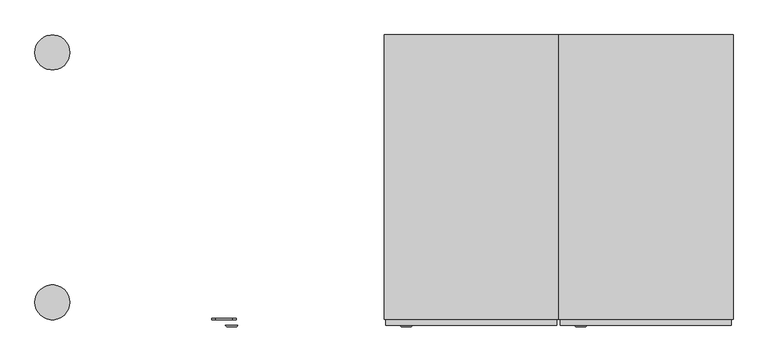
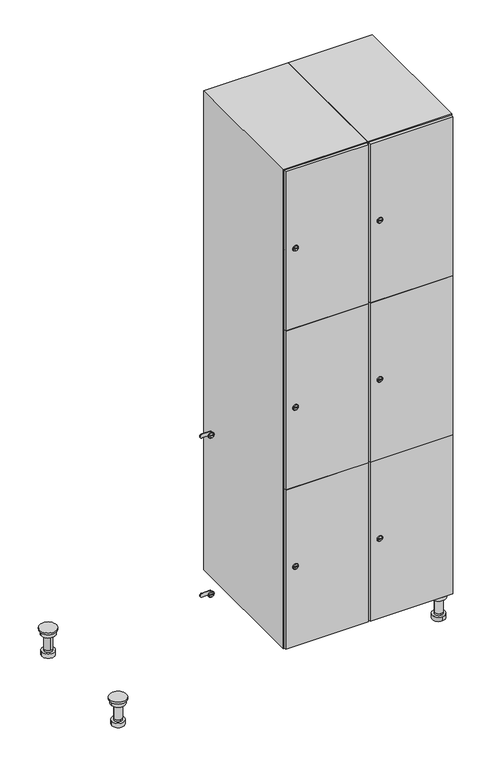
"""IFC4 building model written with IfcOpenShell, lengths in millimetres: furniture geometry."""

from ifc_helpers import new_model, si_unit, point, frame, frame_2d, origin, place, context, project, spatial, polyline, circle_curve, trimmed, segment, composite_curve, outline, extrude, faceted_brep, source, transform, mapped, element, save
from ifc_brep_helpers import plane_surface, cylinder_surface, revolved_surface, advanced_brep


def furniture_6c098cf2(model_context):
    return source(origin(), model_context, "Body", "SolidModel", [
        advanced_brep(
        [(970.0, -201.0, 22.0), (970.0, -201.5, 16.0), (970.0, -228.5, 16.0), (970.0, -229.0, 22.0), (956.0, -215.0, 22.0), (984.0, -215.0, 22.0), (970.0, -192.5, 16.0), (970.0, -237.5, 16.0), (970.0, -192.5, 0.0), (970.0, -237.5, 0.0), (984.0, -215.0, 78.0), (956.0, -215.0, 78.0), (995.0, -215.0, 78.0), (945.0, -215.0, 78.0), (1000.0, -215.0, 94.0), (940.0, -215.0, 94.0), (945.0, -215.0, 94.0), (995.0, -215.0, 94.0), (1000.0, -215.0, 100.0), (940.0, -215.0, 100.0)],
        [
            (0, 1),
            (1, 2, circle_curve(frame((970.0, -215.0, 16.0), z_axis=(0.0, 0.0, 1.0), x_axis=(0.0, -1.0, 0.0)), 13.5)),
            (2, 3),
            (3, 4, circle_curve(frame((970.0, -215.0, 22.0), z_axis=(0.0, 0.0, -1.0), x_axis=(0.0, -1.0, 0.0)), 14.0)),
            (4, 0, circle_curve(frame((970.0, -215.0, 22.0), z_axis=(0.0, 0.0, -1.0), x_axis=(0.0, -1.0, 0.0)), 14.0)),
            (0, 5, circle_curve(frame((970.0, -215.0, 22.0), z_axis=(0.0, 0.0, -1.0), x_axis=(0.0, 1.0, 0.0)), 14.0)),
            (5, 3, circle_curve(frame((970.0, -215.0, 22.0), z_axis=(0.0, 0.0, -1.0), x_axis=(0.0, 1.0, 0.0)), 14.0)),
            (2, 1, circle_curve(frame((970.0, -215.0, 16.0), z_axis=(0.0, 0.0, 1.0), x_axis=(0.0, 1.0, 0.0)), 13.5)),
            (6, 7, circle_curve(frame((970.0, -215.0, 16.0), z_axis=(0.0, 0.0, 1.0), x_axis=(0.0, -1.0, 0.0)), 22.5)),
            (7, 6, circle_curve(frame((970.0, -215.0, 16.0), z_axis=(0.0, 0.0, 1.0), x_axis=(0.0, -1.0, 0.0)), 22.5)),
            (8, 9, circle_curve(frame((970.0, -215.0, 0.0), z_axis=(0.0, 0.0, -1.0), x_axis=(0.0, -1.0, 0.0)), 22.5)),
            (9, 8, circle_curve(frame((970.0, -215.0, 0.0), z_axis=(0.0, 0.0, -1.0), x_axis=(0.0, -1.0, 0.0)), 22.5)),
            (6, 8),
            (9, 7),
            (5, 10),
            (10, 11, circle_curve(frame((970.0, -215.0, 78.0), z_axis=(0.0, 0.0, -1.0), x_axis=(-1.0, 0.0, 0.0)), 14.0)),
            (11, 4),
            (11, 10, circle_curve(frame((970.0, -215.0, 78.0), z_axis=(0.0, 0.0, -1.0), x_axis=(-1.0, 0.0, 0.0)), 14.0)),
            (12, 13, circle_curve(frame((970.0, -215.0, 78.0), z_axis=(0.0, 0.0, -1.0), x_axis=(-1.0, 0.0, 0.0)), 25.0)),
            (13, 12, circle_curve(frame((970.0, -215.0, 78.0), z_axis=(0.0, 0.0, -1.0), x_axis=(-1.0, 0.0, 0.0)), 25.0)),
            (14, 15, circle_curve(frame((970.0, -215.0, 94.0), z_axis=(0.0, 0.0, -1.0), x_axis=(-1.0, 0.0, 0.0)), 30.0)),
            (15, 14, circle_curve(frame((970.0, -215.0, 94.0), z_axis=(0.0, 0.0, -1.0), x_axis=(-1.0, 0.0, 0.0)), 30.0)),
            (16, 17, circle_curve(frame((970.0, -215.0, 94.0), z_axis=(0.0, 0.0, 1.0), x_axis=(-1.0, 0.0, 0.0)), 25.0)),
            (17, 16, circle_curve(frame((970.0, -215.0, 94.0), z_axis=(0.0, 0.0, 1.0), x_axis=(-1.0, 0.0, 0.0)), 25.0)),
            (18, 19, circle_curve(frame((970.0, -215.0, 100.0), z_axis=(0.0, 0.0, 1.0), x_axis=(-1.0, 0.0, 0.0)), 30.0)),
            (19, 18, circle_curve(frame((970.0, -215.0, 100.0), z_axis=(0.0, 0.0, 1.0), x_axis=(-1.0, 0.0, 0.0)), 30.0)),
            (14, 18),
            (19, 15),
            (12, 17),
            (16, 13),
        ],
        [
            revolved_surface(polyline([(970.0, -201.5, 16.0), (970.0, -201.0, 22.0)]), (970.0, -215.0, -146.0), (0.0, 0.0, 1.0)),
            plane_surface(frame((970.0, 0.0, 16.0), z_axis=(0.0, 0.0, 1.0), x_axis=(0.0, -1.0, 0.0))),
            plane_surface(frame((970.0, 0.0, 0.0), z_axis=(0.0, 0.0, -1.0), x_axis=(0.0, -1.0, 0.0))),
            cylinder_surface(frame((970.0, -215.0, 16.0), z_axis=(0.0, 0.0, 1.0), x_axis=(0.0, -1.0, 0.0)), 22.5),
            cylinder_surface(frame((970.0, -215.0, 22.0), z_axis=(0.0, 0.0, -1.0), x_axis=(-1.0, 0.0, 0.0)), 14.0),
            plane_surface(frame((970.0, 0.0, 78.0), z_axis=(0.0, 0.0, -1.0), x_axis=(0.0, -1.0, 0.0))),
            plane_surface(frame((970.0, 0.0, 94.0), z_axis=(0.0, 0.0, -1.0), x_axis=(0.0, -1.0, 0.0))),
            plane_surface(frame((970.0, 0.0, 100.0), z_axis=(0.0, 0.0, 1.0), x_axis=(0.0, -1.0, 0.0))),
            cylinder_surface(frame((970.0, -215.0, 94.0), z_axis=(0.0, 0.0, -1.0), x_axis=(-1.0, 0.0, 0.0)), 30.0),
            cylinder_surface(frame((970.0, -215.0, 78.0), z_axis=(0.0, 0.0, -1.0), x_axis=(-1.0, 0.0, 0.0)), 25.0),
        ],
        [
            (0, [[1, 2, 3, 4, 5]]),
            (0, [[-1, 6, 7, -3, 8]]),
            (1, [[9, 10], [-2, -8]]),
            (2, [[11, 12]]),
            (3, [[-9, 13, -12, 14]]),
            (3, [[-10, -14, -11, -13]]),
            (4, [[15, 16, 17, -4, -7]]),
            (4, [[-15, -6, -5, -17, 18]]),
            (5, [[19, 20], [-16, -18]]),
            (6, [[21, 22], [23, 24]]),
            (7, [[25, 26]]),
            (8, [[-21, 27, -26, 28]]),
            (8, [[-22, -28, -25, -27]]),
            (9, [[-19, 29, -23, 30]]),
            (9, [[-20, -30, -24, -29]]),
        ],
    ),
        advanced_brep(
        [(-170.0, -201.0, 22.0), (-170.0, -201.5, 16.0), (-170.0, -228.5, 16.0), (-170.0, -229.0, 22.0), (-184.0, -215.0, 22.0), (-156.0, -215.0, 22.0), (-147.5, -215.0, 0.0), (-192.5, -215.0, 0.0), (-147.5, -215.0, 16.0), (-192.5, -215.0, 16.0), (-156.0, -215.0, 78.0), (-184.0, -215.0, 78.0), (-145.0, -215.0, 78.0), (-195.0, -215.0, 78.0), (-140.0, -215.0, 94.0), (-200.0, -215.0, 94.0), (-195.0, -215.0, 94.0), (-145.0, -215.0, 94.0), (-140.0, -215.0, 100.0), (-200.0, -215.0, 100.0)],
        [
            (0, 1),
            (1, 2, circle_curve(frame((-170.0, -215.0, 16.0), z_axis=(0.0, 0.0, 1.0), x_axis=(0.0, -1.0, 0.0)), 13.5)),
            (2, 3),
            (3, 4, circle_curve(frame((-170.0, -215.0, 22.0), z_axis=(0.0, 0.0, -1.0), x_axis=(0.0, -1.0, 0.0)), 14.0)),
            (4, 0, circle_curve(frame((-170.0, -215.0, 22.0), z_axis=(0.0, 0.0, -1.0), x_axis=(0.0, -1.0, 0.0)), 14.0)),
            (0, 5, circle_curve(frame((-170.0, -215.0, 22.0), z_axis=(0.0, 0.0, -1.0), x_axis=(0.0, 1.0, 0.0)), 14.0)),
            (5, 3, circle_curve(frame((-170.0, -215.0, 22.0), z_axis=(0.0, 0.0, -1.0), x_axis=(0.0, 1.0, 0.0)), 14.0)),
            (2, 1, circle_curve(frame((-170.0, -215.0, 16.0), z_axis=(0.0, 0.0, 1.0), x_axis=(0.0, 1.0, 0.0)), 13.5)),
            (6, 7, circle_curve(frame((-170.0, -215.0, 0.0), z_axis=(0.0, 0.0, -1.0), x_axis=(-1.0, 0.0, 0.0)), 22.5)),
            (7, 6, circle_curve(frame((-170.0, -215.0, 0.0), z_axis=(0.0, 0.0, -1.0), x_axis=(-1.0, 0.0, 0.0)), 22.5)),
            (8, 9, circle_curve(frame((-170.0, -215.0, 16.0), z_axis=(0.0, 0.0, 1.0), x_axis=(-1.0, 0.0, 0.0)), 22.5)),
            (9, 8, circle_curve(frame((-170.0, -215.0, 16.0), z_axis=(0.0, 0.0, 1.0), x_axis=(-1.0, 0.0, 0.0)), 22.5)),
            (6, 8),
            (9, 7),
            (5, 10),
            (10, 11, circle_curve(frame((-170.0, -215.0, 78.0), z_axis=(0.0, 0.0, -1.0), x_axis=(-1.0, 0.0, 0.0)), 14.0)),
            (11, 4),
            (11, 10, circle_curve(frame((-170.0, -215.0, 78.0), z_axis=(0.0, 0.0, -1.0), x_axis=(-1.0, 0.0, 0.0)), 14.0)),
            (12, 13, circle_curve(frame((-170.0, -215.0, 78.0), z_axis=(0.0, 0.0, -1.0), x_axis=(-1.0, 0.0, 0.0)), 25.0)),
            (13, 12, circle_curve(frame((-170.0, -215.0, 78.0), z_axis=(0.0, 0.0, -1.0), x_axis=(-1.0, 0.0, 0.0)), 25.0)),
            (14, 15, circle_curve(frame((-170.0, -215.0, 94.0), z_axis=(0.0, 0.0, -1.0), x_axis=(-1.0, 0.0, 0.0)), 30.0)),
            (15, 14, circle_curve(frame((-170.0, -215.0, 94.0), z_axis=(0.0, 0.0, -1.0), x_axis=(-1.0, 0.0, 0.0)), 30.0)),
            (16, 17, circle_curve(frame((-170.0, -215.0, 94.0), z_axis=(0.0, 0.0, 1.0), x_axis=(-1.0, 0.0, 0.0)), 25.0)),
            (17, 16, circle_curve(frame((-170.0, -215.0, 94.0), z_axis=(0.0, 0.0, 1.0), x_axis=(-1.0, 0.0, 0.0)), 25.0)),
            (18, 19, circle_curve(frame((-170.0, -215.0, 100.0), z_axis=(0.0, 0.0, 1.0), x_axis=(-1.0, 0.0, 0.0)), 30.0)),
            (19, 18, circle_curve(frame((-170.0, -215.0, 100.0), z_axis=(0.0, 0.0, 1.0), x_axis=(-1.0, 0.0, 0.0)), 30.0)),
            (14, 18),
            (19, 15),
            (12, 17),
            (16, 13),
        ],
        [
            revolved_surface(polyline([(-170.0, -201.5, 16.0), (-170.0, -201.0, 22.0)]), (-170.0, -215.0, -146.0), (0.0, 0.0, 1.0)),
            plane_surface(frame((-170.0, 0.0, 0.0), z_axis=(0.0, 0.0, -1.0), x_axis=(0.0, -1.0, 0.0))),
            plane_surface(frame((-170.0, 0.0, 16.0), z_axis=(0.0, 0.0, 1.0), x_axis=(0.0, -1.0, 0.0))),
            cylinder_surface(frame((-170.0, -215.0, 0.0), z_axis=(0.0, 0.0, -1.0), x_axis=(-1.0, 0.0, 0.0)), 22.5),
            cylinder_surface(frame((-170.0, -215.0, 22.0), z_axis=(0.0, 0.0, -1.0), x_axis=(-1.0, 0.0, 0.0)), 14.0),
            plane_surface(frame((-170.0, 0.0, 78.0), z_axis=(0.0, 0.0, -1.0), x_axis=(0.0, -1.0, 0.0))),
            plane_surface(frame((-170.0, 0.0, 94.0), z_axis=(0.0, 0.0, -1.0), x_axis=(0.0, -1.0, 0.0))),
            plane_surface(frame((-170.0, 0.0, 100.0), z_axis=(0.0, 0.0, 1.0), x_axis=(0.0, -1.0, 0.0))),
            cylinder_surface(frame((-170.0, -215.0, 94.0), z_axis=(0.0, 0.0, -1.0), x_axis=(-1.0, 0.0, 0.0)), 30.0),
            cylinder_surface(frame((-170.0, -215.0, 78.0), z_axis=(0.0, 0.0, -1.0), x_axis=(-1.0, 0.0, 0.0)), 25.0),
        ],
        [
            (0, [[1, 2, 3, 4, 5]]),
            (0, [[-1, 6, 7, -3, 8]]),
            (1, [[9, 10]]),
            (2, [[11, 12], [-2, -8]]),
            (3, [[-9, 13, -12, 14]]),
            (3, [[-10, -14, -11, -13]]),
            (4, [[15, 16, 17, -4, -7]]),
            (4, [[-15, -6, -5, -17, 18]]),
            (5, [[19, 20], [-16, -18]]),
            (6, [[21, 22], [23, 24]]),
            (7, [[25, 26]]),
            (8, [[-21, 27, -26, 28]]),
            (8, [[-22, -28, -25, -27]]),
            (9, [[-19, 29, -23, 30]]),
            (9, [[-20, -30, -24, -29]]),
        ],
    ),
        advanced_brep(
        [(983.5, 215.0, 16.0), (984.0, 215.0, 22.0), (956.0, 215.0, 22.0), (956.5, 215.0, 16.0), (992.5, 215.0, 0.0), (947.5, 215.0, 0.0), (992.5, 215.0, 16.0), (947.5, 215.0, 16.0), (984.0, 215.0, 78.0), (956.0, 215.0, 78.0), (995.0, 215.0, 78.0), (945.0, 215.0, 78.0), (1000.0, 215.0, 94.0), (940.0, 215.0, 94.0), (945.0, 215.0, 94.0), (995.0, 215.0, 94.0), (1000.0, 215.0, 100.0), (940.0, 215.0, 100.0)],
        [
            (0, 1),
            (1, 2, circle_curve(frame((970.0, 215.0, 22.0), z_axis=(0.0, 0.0, -1.0), x_axis=(-1.0, 0.0, 0.0)), 14.0)),
            (2, 3),
            (3, 0, circle_curve(frame((970.0, 215.0, 16.0), z_axis=(0.0, 0.0, 1.0), x_axis=(-1.0, 0.0, 0.0)), 13.5)),
            (0, 3, circle_curve(frame((970.0, 215.0, 16.0), z_axis=(0.0, 0.0, 1.0), x_axis=(1.0, 0.0, 0.0)), 13.5)),
            (2, 1, circle_curve(frame((970.0, 215.0, 22.0), z_axis=(0.0, 0.0, -1.0), x_axis=(1.0, 0.0, 0.0)), 14.0)),
            (4, 5, circle_curve(frame((970.0, 215.0, 0.0), z_axis=(0.0, 0.0, -1.0), x_axis=(-1.0, 0.0, 0.0)), 22.5)),
            (5, 4, circle_curve(frame((970.0, 215.0, 0.0), z_axis=(0.0, 0.0, -1.0), x_axis=(-1.0, 0.0, 0.0)), 22.5)),
            (6, 7, circle_curve(frame((970.0, 215.0, 16.0), z_axis=(0.0, 0.0, 1.0), x_axis=(-1.0, 0.0, 0.0)), 22.5)),
            (7, 6, circle_curve(frame((970.0, 215.0, 16.0), z_axis=(0.0, 0.0, 1.0), x_axis=(-1.0, 0.0, 0.0)), 22.5)),
            (4, 6),
            (7, 5),
            (1, 8),
            (8, 9, circle_curve(frame((970.0, 215.0, 78.0), z_axis=(0.0, 0.0, -1.0), x_axis=(-1.0, 0.0, 0.0)), 14.0)),
            (9, 2),
            (9, 8, circle_curve(frame((970.0, 215.0, 78.0), z_axis=(0.0, 0.0, -1.0), x_axis=(-1.0, 0.0, 0.0)), 14.0)),
            (10, 11, circle_curve(frame((970.0, 215.0, 78.0), z_axis=(0.0, 0.0, -1.0), x_axis=(-1.0, 0.0, 0.0)), 25.0)),
            (11, 10, circle_curve(frame((970.0, 215.0, 78.0), z_axis=(0.0, 0.0, -1.0), x_axis=(-1.0, 0.0, 0.0)), 25.0)),
            (12, 13, circle_curve(frame((970.0, 215.0, 94.0), z_axis=(0.0, 0.0, -1.0), x_axis=(-1.0, 0.0, 0.0)), 30.0)),
            (13, 12, circle_curve(frame((970.0, 215.0, 94.0), z_axis=(0.0, 0.0, -1.0), x_axis=(-1.0, 0.0, 0.0)), 30.0)),
            (14, 15, circle_curve(frame((970.0, 215.0, 94.0), z_axis=(0.0, 0.0, 1.0), x_axis=(-1.0, 0.0, 0.0)), 25.0)),
            (15, 14, circle_curve(frame((970.0, 215.0, 94.0), z_axis=(0.0, 0.0, 1.0), x_axis=(-1.0, 0.0, 0.0)), 25.0)),
            (16, 17, circle_curve(frame((970.0, 215.0, 100.0), z_axis=(0.0, 0.0, 1.0), x_axis=(-1.0, 0.0, 0.0)), 30.0)),
            (17, 16, circle_curve(frame((970.0, 215.0, 100.0), z_axis=(0.0, 0.0, 1.0), x_axis=(-1.0, 0.0, 0.0)), 30.0)),
            (12, 16),
            (17, 13),
            (10, 15),
            (14, 11),
        ],
        [
            revolved_surface(polyline([(983.5, 215.0, 16.0), (984.0, 215.0, 22.0)]), (970.0, 215.0, -146.0), (0.0, 0.0, 1.0)),
            plane_surface(frame((970.0, 0.0, 0.0), z_axis=(0.0, 0.0, -1.0), x_axis=(0.0, -1.0, 0.0))),
            plane_surface(frame((970.0, 0.0, 16.0), z_axis=(0.0, 0.0, 1.0), x_axis=(0.0, -1.0, 0.0))),
            cylinder_surface(frame((970.0, 215.0, 0.0), z_axis=(0.0, 0.0, -1.0), x_axis=(-1.0, 0.0, 0.0)), 22.5),
            cylinder_surface(frame((970.0, 215.0, 22.0), z_axis=(0.0, 0.0, -1.0), x_axis=(-1.0, 0.0, 0.0)), 14.0),
            plane_surface(frame((970.0, 0.0, 78.0), z_axis=(0.0, 0.0, -1.0), x_axis=(0.0, -1.0, 0.0))),
            plane_surface(frame((970.0, 0.0, 94.0), z_axis=(0.0, 0.0, -1.0), x_axis=(0.0, -1.0, 0.0))),
            plane_surface(frame((970.0, 0.0, 100.0), z_axis=(0.0, 0.0, 1.0), x_axis=(0.0, -1.0, 0.0))),
            cylinder_surface(frame((970.0, 215.0, 94.0), z_axis=(0.0, 0.0, -1.0), x_axis=(-1.0, 0.0, 0.0)), 30.0),
            cylinder_surface(frame((970.0, 215.0, 78.0), z_axis=(0.0, 0.0, -1.0), x_axis=(-1.0, 0.0, 0.0)), 25.0),
        ],
        [
            (0, [[1, 2, 3, 4]]),
            (0, [[-1, 5, -3, 6]]),
            (1, [[7, 8]]),
            (2, [[9, 10], [-4, -5]]),
            (3, [[-7, 11, -10, 12]]),
            (3, [[-8, -12, -9, -11]]),
            (4, [[13, 14, 15, -2]]),
            (4, [[-13, -6, -15, 16]]),
            (5, [[17, 18], [-14, -16]]),
            (6, [[19, 20], [21, 22]]),
            (7, [[23, 24]]),
            (8, [[-19, 25, -24, 26]]),
            (8, [[-20, -26, -23, -25]]),
            (9, [[-17, 27, -21, 28]]),
            (9, [[-18, -28, -22, -27]]),
        ],
    ),
        advanced_brep(
        [(-156.5, 215.0, 16.0), (-156.0, 215.0, 22.0), (-170.0, 201.0, 22.0), (-184.0, 215.0, 22.0), (-183.5, 215.0, 16.0), (-170.0, 229.0, 22.0), (-147.5, 215.0, 0.0), (-192.5, 215.0, 0.0), (-147.5, 215.0, 16.0), (-192.5, 215.0, 16.0), (-170.0, 229.0, 78.0), (-170.0, 201.0, 78.0), (-145.0, 215.0, 78.0), (-195.0, 215.0, 78.0), (-140.0, 215.0, 94.0), (-200.0, 215.0, 94.0), (-195.0, 215.0, 94.0), (-145.0, 215.0, 94.0), (-140.0, 215.0, 100.0), (-200.0, 215.0, 100.0)],
        [
            (0, 1),
            (1, 2, circle_curve(frame((-170.0, 215.0, 22.0), z_axis=(0.0, 0.0, -1.0), x_axis=(-1.0, 0.0, 0.0)), 14.0)),
            (2, 3, circle_curve(frame((-170.0, 215.0, 22.0), z_axis=(0.0, 0.0, -1.0), x_axis=(-1.0, 0.0, 0.0)), 14.0)),
            (3, 4),
            (4, 0, circle_curve(frame((-170.0, 215.0, 16.0), z_axis=(0.0, 0.0, 1.0), x_axis=(-1.0, 0.0, 0.0)), 13.5)),
            (0, 4, circle_curve(frame((-170.0, 215.0, 16.0), z_axis=(0.0, 0.0, 1.0), x_axis=(1.0, 0.0, 0.0)), 13.5)),
            (3, 5, circle_curve(frame((-170.0, 215.0, 22.0), z_axis=(0.0, 0.0, -1.0), x_axis=(1.0, 0.0, 0.0)), 14.0)),
            (5, 1, circle_curve(frame((-170.0, 215.0, 22.0), z_axis=(0.0, 0.0, -1.0), x_axis=(1.0, 0.0, 0.0)), 14.0)),
            (6, 7, circle_curve(frame((-170.0, 215.0, 0.0), z_axis=(0.0, 0.0, -1.0), x_axis=(-1.0, 0.0, 0.0)), 22.5)),
            (7, 6, circle_curve(frame((-170.0, 215.0, 0.0), z_axis=(0.0, 0.0, -1.0), x_axis=(-1.0, 0.0, 0.0)), 22.5)),
            (8, 9, circle_curve(frame((-170.0, 215.0, 16.0), z_axis=(0.0, 0.0, 1.0), x_axis=(-1.0, 0.0, 0.0)), 22.5)),
            (9, 8, circle_curve(frame((-170.0, 215.0, 16.0), z_axis=(0.0, 0.0, 1.0), x_axis=(-1.0, 0.0, 0.0)), 22.5)),
            (6, 8),
            (9, 7),
            (10, 5),
            (2, 11),
            (11, 10, circle_curve(frame((-170.0, 215.0, 78.0), z_axis=(0.0, 0.0, -1.0), x_axis=(0.0, -1.0, 0.0)), 14.0)),
            (10, 11, circle_curve(frame((-170.0, 215.0, 78.0), z_axis=(0.0, 0.0, -1.0), x_axis=(0.0, -1.0, 0.0)), 14.0)),
            (12, 13, circle_curve(frame((-170.0, 215.0, 78.0), z_axis=(0.0, 0.0, -1.0), x_axis=(-1.0, 0.0, 0.0)), 25.0)),
            (13, 12, circle_curve(frame((-170.0, 215.0, 78.0), z_axis=(0.0, 0.0, -1.0), x_axis=(-1.0, 0.0, 0.0)), 25.0)),
            (14, 15, circle_curve(frame((-170.0, 215.0, 94.0), z_axis=(0.0, 0.0, -1.0), x_axis=(-1.0, 0.0, 0.0)), 30.0)),
            (15, 14, circle_curve(frame((-170.0, 215.0, 94.0), z_axis=(0.0, 0.0, -1.0), x_axis=(-1.0, 0.0, 0.0)), 30.0)),
            (16, 17, circle_curve(frame((-170.0, 215.0, 94.0), z_axis=(0.0, 0.0, 1.0), x_axis=(-1.0, 0.0, 0.0)), 25.0)),
            (17, 16, circle_curve(frame((-170.0, 215.0, 94.0), z_axis=(0.0, 0.0, 1.0), x_axis=(-1.0, 0.0, 0.0)), 25.0)),
            (18, 19, circle_curve(frame((-170.0, 215.0, 100.0), z_axis=(0.0, 0.0, 1.0), x_axis=(-1.0, 0.0, 0.0)), 30.0)),
            (19, 18, circle_curve(frame((-170.0, 215.0, 100.0), z_axis=(0.0, 0.0, 1.0), x_axis=(-1.0, 0.0, 0.0)), 30.0)),
            (14, 18),
            (19, 15),
            (12, 17),
            (16, 13),
        ],
        [
            revolved_surface(polyline([(-156.5, 215.0, 16.0), (-156.0, 215.0, 22.0)]), (-170.0, 215.0, -146.0), (0.0, 0.0, 1.0)),
            plane_surface(frame((-170.0, 0.0, 0.0), z_axis=(0.0, 0.0, -1.0), x_axis=(0.0, -1.0, 0.0))),
            plane_surface(frame((-170.0, 0.0, 16.0), z_axis=(0.0, 0.0, 1.0), x_axis=(0.0, -1.0, 0.0))),
            cylinder_surface(frame((-170.0, 215.0, 0.0), z_axis=(0.0, 0.0, -1.0), x_axis=(-1.0, 0.0, 0.0)), 22.5),
            cylinder_surface(frame((-170.0, 215.0, 78.0), z_axis=(0.0, 0.0, 1.0), x_axis=(0.0, -1.0, 0.0)), 14.0),
            plane_surface(frame((-170.0, 0.0, 78.0), z_axis=(0.0, 0.0, -1.0), x_axis=(0.0, -1.0, 0.0))),
            plane_surface(frame((-170.0, 0.0, 94.0), z_axis=(0.0, 0.0, -1.0), x_axis=(0.0, -1.0, 0.0))),
            plane_surface(frame((-170.0, 0.0, 100.0), z_axis=(0.0, 0.0, 1.0), x_axis=(0.0, -1.0, 0.0))),
            cylinder_surface(frame((-170.0, 215.0, 94.0), z_axis=(0.0, 0.0, -1.0), x_axis=(-1.0, 0.0, 0.0)), 30.0),
            cylinder_surface(frame((-170.0, 215.0, 78.0), z_axis=(0.0, 0.0, -1.0), x_axis=(-1.0, 0.0, 0.0)), 25.0),
        ],
        [
            (0, [[1, 2, 3, 4, 5]]),
            (0, [[-1, 6, -4, 7, 8]]),
            (1, [[9, 10]]),
            (2, [[11, 12], [-5, -6]]),
            (3, [[-9, 13, -12, 14]]),
            (3, [[-10, -14, -11, -13]]),
            (4, [[15, -7, -3, 16, 17]]),
            (4, [[-15, 18, -16, -2, -8]]),
            (5, [[19, 20], [-17, -18]]),
            (6, [[21, 22], [23, 24]]),
            (7, [[25, 26]]),
            (8, [[-21, 27, -26, 28]]),
            (8, [[-22, -28, -25, -27]]),
            (9, [[-19, 29, -23, 30]]),
            (9, [[-20, -30, -24, -29]]),
        ],
    ),
        extrude(outline(composite_curve([segment(trimmed(circle_curve(frame_2d((402.0, 711.2010534)), 7.0), [point((409.0, 711.2010534))], [point((395.0, 711.2010534))], False, "CARTESIAN"), True, "CONTINUOUS"), segment(polyline([(395.0, 711.2010534), (395.0, 739.2010534)]), True, "CONTINUOUS"), segment(trimmed(circle_curve(frame_2d((402.0, 739.2010534)), 7.0), [point((395.0, 739.2010534))], [point((409.0, 739.2010534))], False, "CARTESIAN"), True, "CONTINUOUS"), segment(polyline([(409.0, 739.2010534), (409.0, 711.2010534)]), True, "CONTINUOUS")], self_intersect=False)), frame((0.0, -245.0, 0.0), z_axis=(0.0, 1.0, 0.0), x_axis=(0.0, 0.0, 1.0)), (0.0, 0.0, 1.0), 2.0),
        advanced_brep(
        [(746.5, -257.2, 402.0), (729.5, -257.2, 402.0), (733.0, -257.2, 400.75), (733.0, -257.2, 403.25), (743.0, -257.2, 403.25), (743.0, -257.2, 400.75), (748.5, -255.0, 402.0), (727.5, -255.0, 402.0), (733.0, -255.0, 403.25), (733.0, -255.0, 400.75), (743.0, -255.0, 400.75), (743.0, -255.0, 403.25)],
        [
            (0, 1, circle_curve(frame((738.0, -257.2, 402.0), z_axis=(0.0, -1.0, 0.0), x_axis=(1.0, 0.0, 0.0)), 8.5)),
            (1, 0, circle_curve(frame((738.0, -257.2, 402.0), z_axis=(0.0, -1.0, 0.0), x_axis=(-1.0, 0.0, 0.0)), 8.5)),
            (2, 3),
            (3, 4),
            (4, 5),
            (5, 2),
            (6, 7, circle_curve(frame((738.0, -255.0, 402.0), z_axis=(0.0, 1.0, 0.0), x_axis=(-1.0, 0.0, 0.0)), 10.5)),
            (7, 6, circle_curve(frame((738.0, -255.0, 402.0), z_axis=(0.0, 1.0, 0.0), x_axis=(1.0, 0.0, 0.0)), 10.5)),
            (8, 9),
            (9, 10),
            (10, 11),
            (11, 8),
            (0, 6),
            (7, 1),
            (8, 3),
            (2, 9),
            (11, 4),
            (10, 5),
        ],
        [
            plane_surface(frame((738.0, -257.2, 402.0), z_axis=(0.0, -1.0, 0.0), x_axis=(0.0, 0.0, 1.0))),
            plane_surface(frame((738.0, -255.0, 402.0), z_axis=(0.0, 1.0, 0.0), x_axis=(0.0, 0.0, 1.0))),
            revolved_surface(polyline([(746.5, -257.2, 402.0), (748.5, -255.0, 402.0)]), (738.0, -266.55, 402.0), (0.0, 1.0, 0.0)),
            revolved_surface(polyline([(729.5, -257.2, 402.0), (727.5, -255.0, 402.0)]), (738.0, -266.55, 402.0), (0.0, 1.0, 0.0)),
            plane_surface(frame((733.0, -255.0, 400.75), z_axis=(1.0, 0.0, 0.0), x_axis=(0.0, -1.0, 0.0))),
            plane_surface(frame((733.0, -255.0, 403.25), z_axis=(0.0, 0.0, -1.0), x_axis=(0.0, -1.0, 0.0))),
            plane_surface(frame((743.0, -255.0, 403.25), z_axis=(-1.0, 0.0, 0.0), x_axis=(0.0, -1.0, 0.0))),
            plane_surface(frame((743.0, -255.0, 400.75), z_axis=(0.0, 0.0, 1.0), x_axis=(0.0, -1.0, 0.0))),
        ],
        [
            (0, [[1, 2], [3, 4, 5, 6]]),
            (1, [[7, 8], [9, 10, 11, 12]]),
            (2, [[-1, 13, -8, 14]]),
            (3, [[-2, -14, -7, -13]]),
            (4, [[15, -3, 16, -9]]),
            (5, [[-15, -12, 17, -4]]),
            (6, [[-17, -11, 18, -5]]),
            (7, [[-16, -6, -18, -10]]),
        ],
    ),
        extrude(outline(composite_curve([segment(trimmed(circle_curve(frame_2d((1000.0, 711.2010534)), 7.0), [point((1007.0, 711.2010534))], [point((993.0, 711.2010534))], False, "CARTESIAN"), True, "CONTINUOUS"), segment(polyline([(993.0, 711.2010534), (993.0, 739.2010534)]), True, "CONTINUOUS"), segment(trimmed(circle_curve(frame_2d((1000.0, 739.2010534)), 7.0), [point((993.0, 739.2010534))], [point((1007.0, 739.2010534))], False, "CARTESIAN"), True, "CONTINUOUS"), segment(polyline([(1007.0, 739.2010534), (1007.0, 711.2010534)]), True, "CONTINUOUS")], self_intersect=False)), frame((0.0, -245.0, 0.0), z_axis=(0.0, 1.0, 0.0), x_axis=(0.0, 0.0, 1.0)), (0.0, 0.0, 1.0), 2.0),
        advanced_brep(
        [(746.5, -257.2, 1000.0), (729.5, -257.2, 1000.0), (733.0, -257.2, 998.75), (733.0, -257.2, 1001.25), (743.0, -257.2, 1001.25), (743.0, -257.2, 998.75), (748.5, -255.0, 1000.0), (727.5, -255.0, 1000.0), (733.0, -255.0, 1001.25), (733.0, -255.0, 998.75), (743.0, -255.0, 998.75), (743.0, -255.0, 1001.25)],
        [
            (0, 1, circle_curve(frame((738.0, -257.2, 1000.0), z_axis=(0.0, -1.0, 0.0), x_axis=(1.0, 0.0, 0.0)), 8.5)),
            (1, 0, circle_curve(frame((738.0, -257.2, 1000.0), z_axis=(0.0, -1.0, 0.0), x_axis=(-1.0, 0.0, 0.0)), 8.5)),
            (2, 3),
            (3, 4),
            (4, 5),
            (5, 2),
            (6, 7, circle_curve(frame((738.0, -255.0, 1000.0), z_axis=(0.0, 1.0, 0.0), x_axis=(-1.0, 0.0, 0.0)), 10.5)),
            (7, 6, circle_curve(frame((738.0, -255.0, 1000.0), z_axis=(0.0, 1.0, 0.0), x_axis=(1.0, 0.0, 0.0)), 10.5)),
            (8, 9),
            (9, 10),
            (10, 11),
            (11, 8),
            (0, 6),
            (7, 1),
            (8, 3),
            (2, 9),
            (11, 4),
            (10, 5),
        ],
        [
            plane_surface(frame((738.0, -257.2, 1000.0), z_axis=(0.0, -1.0, 0.0), x_axis=(0.0, 0.0, 1.0))),
            plane_surface(frame((738.0, -255.0, 1000.0), z_axis=(0.0, 1.0, 0.0), x_axis=(0.0, 0.0, 1.0))),
            revolved_surface(polyline([(746.5, -257.2, 1000.0), (748.5, -255.0, 1000.0)]), (738.0, -266.55, 1000.0), (0.0, 1.0, 0.0)),
            revolved_surface(polyline([(729.5, -257.2, 1000.0), (727.5, -255.0, 1000.0)]), (738.0, -266.55, 1000.0), (0.0, 1.0, 0.0)),
            plane_surface(frame((733.0, -255.0, 998.75), z_axis=(1.0, 0.0, 0.0), x_axis=(0.0, -1.0, 0.0))),
            plane_surface(frame((733.0, -255.0, 1001.25), z_axis=(0.0, 0.0, -1.0), x_axis=(0.0, -1.0, 0.0))),
            plane_surface(frame((743.0, -255.0, 1001.25), z_axis=(-1.0, 0.0, 0.0), x_axis=(0.0, -1.0, 0.0))),
            plane_surface(frame((743.0, -255.0, 998.75), z_axis=(0.0, 0.0, 1.0), x_axis=(0.0, -1.0, 0.0))),
        ],
        [
            (0, [[1, 2], [3, 4, 5, 6]]),
            (1, [[7, 8], [9, 10, 11, 12]]),
            (2, [[-1, 13, -8, 14]]),
            (3, [[-2, -14, -7, -13]]),
            (4, [[15, -3, 16, -9]]),
            (5, [[-15, -12, 17, -4]]),
            (6, [[-17, -11, 18, -5]]),
            (7, [[-16, -6, -18, -10]]),
        ],
    ),
        extrude(outline(composite_curve([segment(trimmed(circle_curve(frame_2d((1598.0, 711.2010534)), 7.0), [point((1605.0, 711.2010534))], [point((1591.0, 711.2010534))], False, "CARTESIAN"), True, "CONTINUOUS"), segment(polyline([(1591.0, 711.2010534), (1591.0, 739.2010534)]), True, "CONTINUOUS"), segment(trimmed(circle_curve(frame_2d((1598.0, 739.2010534)), 7.0), [point((1591.0, 739.2010534))], [point((1605.0, 739.2010534))], False, "CARTESIAN"), True, "CONTINUOUS"), segment(polyline([(1605.0, 739.2010534), (1605.0, 711.2010534)]), True, "CONTINUOUS")], self_intersect=False)), frame((0.0, -245.0, 0.0), z_axis=(0.0, 1.0, 0.0), x_axis=(0.0, 0.0, 1.0)), (0.0, 0.0, 1.0), 2.0),
        advanced_brep(
        [(746.5, -257.2, 1598.0), (729.5, -257.2, 1598.0), (733.0, -257.2, 1596.75), (733.0, -257.2, 1599.25), (743.0, -257.2, 1599.25), (743.0, -257.2, 1596.75), (748.5, -255.0, 1598.0), (727.5, -255.0, 1598.0), (733.0, -255.0, 1599.25), (733.0, -255.0, 1596.75), (743.0, -255.0, 1596.75), (743.0, -255.0, 1599.25)],
        [
            (0, 1, circle_curve(frame((738.0, -257.2, 1598.0), z_axis=(0.0, -1.0, 0.0), x_axis=(1.0, 0.0, 0.0)), 8.5)),
            (1, 0, circle_curve(frame((738.0, -257.2, 1598.0), z_axis=(0.0, -1.0, 0.0), x_axis=(-1.0, 0.0, 0.0)), 8.5)),
            (2, 3),
            (3, 4),
            (4, 5),
            (5, 2),
            (6, 7, circle_curve(frame((738.0, -255.0, 1598.0), z_axis=(0.0, 1.0, 0.0), x_axis=(-1.0, 0.0, 0.0)), 10.5)),
            (7, 6, circle_curve(frame((738.0, -255.0, 1598.0), z_axis=(0.0, 1.0, 0.0), x_axis=(1.0, 0.0, 0.0)), 10.5)),
            (8, 9),
            (9, 10),
            (10, 11),
            (11, 8),
            (0, 6),
            (7, 1),
            (8, 3),
            (2, 9),
            (11, 4),
            (10, 5),
        ],
        [
            plane_surface(frame((738.0, -257.2, 1598.0), z_axis=(0.0, -1.0, 0.0), x_axis=(0.0, 0.0, 1.0))),
            plane_surface(frame((738.0, -255.0, 1598.0), z_axis=(0.0, 1.0, 0.0), x_axis=(0.0, 0.0, 1.0))),
            revolved_surface(polyline([(746.5, -257.2, 1598.0), (748.5, -255.0, 1598.0)]), (738.0, -266.55, 1598.0), (0.0, 1.0, 0.0)),
            revolved_surface(polyline([(729.5, -257.2, 1598.0), (727.5, -255.0, 1598.0)]), (738.0, -266.55, 1598.0), (0.0, 1.0, 0.0)),
            plane_surface(frame((733.0, -255.0, 1596.75), z_axis=(1.0, 0.0, 0.0), x_axis=(0.0, -1.0, 0.0))),
            plane_surface(frame((733.0, -255.0, 1599.25), z_axis=(0.0, 0.0, -1.0), x_axis=(0.0, -1.0, 0.0))),
            plane_surface(frame((743.0, -255.0, 1599.25), z_axis=(-1.0, 0.0, 0.0), x_axis=(0.0, -1.0, 0.0))),
            plane_surface(frame((743.0, -255.0, 1596.75), z_axis=(0.0, 0.0, 1.0), x_axis=(0.0, -1.0, 0.0))),
        ],
        [
            (0, [[1, 2], [3, 4, 5, 6]]),
            (1, [[7, 8], [9, 10, 11, 12]]),
            (2, [[-1, 13, -8, 14]]),
            (3, [[-2, -14, -7, -13]]),
            (4, [[15, -3, 16, -9]]),
            (5, [[-15, -12, 17, -4]]),
            (6, [[-17, -11, 18, -5]]),
            (7, [[-16, -6, -18, -10]]),
        ],
    ),
        extrude(outline(polyline([(997.0, -245.0), (997.0, -255.0), (703.0, -255.0), (703.0, -245.0), (997.0, -245.0)])), frame((0.0, 0.0, 701.5), z_axis=(0.0, 0.0, 1.0), x_axis=(1.0, 0.0, 0.0)), (0.0, 0.0, 1.0), 597.0),
        extrude(outline(polyline([(703.0, -255.0), (703.0, -245.0), (997.0, -245.0), (997.0, -255.0), (703.0, -255.0)])), frame((0.0, 0.0, 1299.5), z_axis=(0.0, 0.0, 1.0), x_axis=(1.0, 0.0, 0.0)), (0.0, 0.0, 1.0), 597.5),
        extrude(outline(polyline([(997.0, -245.0), (997.0, -255.0), (703.0, -255.0), (703.0, -245.0), (997.0, -245.0)])), frame((0.0, 0.0, 103.0), z_axis=(0.0, 0.0, 1.0), x_axis=(1.0, 0.0, 0.0)), (0.0, 0.0, 1.0), 597.5),
        extrude(outline(polyline([(990.0, 241.0), (990.0, -235.0), (710.0, -235.0), (710.0, 241.0), (990.0, 241.0)])), frame((0.0, 0.0, 1291.6666667), z_axis=(0.0, 0.0, 1.0), x_axis=(1.0, 0.0, 0.0)), (0.0, 0.0, 1.0), 10.0),
        extrude(outline(polyline([(710.0, 241.0), (990.0, 241.0), (990.0, -235.0), (710.0, -235.0), (710.0, 241.0)])), frame((0.0, 0.0, 698.3333333), z_axis=(0.0, 0.0, 1.0), x_axis=(1.0, 0.0, 0.0)), (0.0, 0.0, 1.0), 10.0),
        faceted_brep([(1000.0, -245.0, 100.0), (1000.0, -245.0, 1900.0), (700.0, -245.0, 1900.0), (700.0, -245.0, 100.0), (990.0, -245.0, 1890.0), (990.0, -245.0, 110.0), (710.0, -245.0, 110.0), (710.0, -245.0, 1890.0), (1000.0, 245.0, 100.0), (700.0, 245.0, 100.0), (1000.0, 245.0, 1900.0), (700.0, 245.0, 1900.0), (990.0, 241.0, 1890.0), (990.0, 241.0, 110.0), (700.0, 245.0, 1890.0), (710.0, 241.0, 1890.0), (710.0, 241.0, 110.0)], [[[0, 1, 2, 3], [4, 5, 6, 7]], [[8, 0, 3, 9]], [[1, 0, 8, 10]], [[1, 10, 11, 2]], [[4, 12, 13, 5]], [[9, 3, 2, 11, 14]], [[10, 8, 9, 14, 11]], [[12, 15, 16, 13]], [[15, 7, 6, 16]], [[4, 7, 15, 12]], [[6, 5, 13, 16]]]),
        extrude(outline(composite_curve([segment(trimmed(circle_curve(frame_2d((402.0, 411.2010534)), 7.0), [point((409.0, 411.2010534))], [point((395.0, 411.2010534))], False, "CARTESIAN"), True, "CONTINUOUS"), segment(polyline([(395.0, 411.2010534), (395.0, 439.2010534)]), True, "CONTINUOUS"), segment(trimmed(circle_curve(frame_2d((402.0, 439.2010534)), 7.0), [point((395.0, 439.2010534))], [point((409.0, 439.2010534))], False, "CARTESIAN"), True, "CONTINUOUS"), segment(polyline([(409.0, 439.2010534), (409.0, 411.2010534)]), True, "CONTINUOUS")], self_intersect=False)), frame((0.0, -245.0, 0.0), z_axis=(0.0, 1.0, 0.0), x_axis=(0.0, 0.0, 1.0)), (0.0, 0.0, 1.0), 2.0),
        advanced_brep(
        [(446.5, -257.2, 402.0), (429.5, -257.2, 402.0), (433.0, -257.2, 400.75), (433.0, -257.2, 403.25), (443.0, -257.2, 403.25), (443.0, -257.2, 400.75), (448.5, -255.0, 402.0), (427.5, -255.0, 402.0), (433.0, -255.0, 403.25), (433.0, -255.0, 400.75), (443.0, -255.0, 400.75), (443.0, -255.0, 403.25)],
        [
            (0, 1, circle_curve(frame((438.0, -257.2, 402.0), z_axis=(0.0, -1.0, 0.0), x_axis=(1.0, 0.0, 0.0)), 8.5)),
            (1, 0, circle_curve(frame((438.0, -257.2, 402.0), z_axis=(0.0, -1.0, 0.0), x_axis=(-1.0, 0.0, 0.0)), 8.5)),
            (2, 3),
            (3, 4),
            (4, 5),
            (5, 2),
            (6, 7, circle_curve(frame((438.0, -255.0, 402.0), z_axis=(0.0, 1.0, 0.0), x_axis=(-1.0, 0.0, 0.0)), 10.5)),
            (7, 6, circle_curve(frame((438.0, -255.0, 402.0), z_axis=(0.0, 1.0, 0.0), x_axis=(1.0, 0.0, 0.0)), 10.5)),
            (8, 9),
            (9, 10),
            (10, 11),
            (11, 8),
            (0, 6),
            (7, 1),
            (8, 3),
            (2, 9),
            (11, 4),
            (10, 5),
        ],
        [
            plane_surface(frame((438.0, -257.2, 402.0), z_axis=(0.0, -1.0, 0.0), x_axis=(0.0, 0.0, 1.0))),
            plane_surface(frame((438.0, -255.0, 402.0), z_axis=(0.0, 1.0, 0.0), x_axis=(0.0, 0.0, 1.0))),
            revolved_surface(polyline([(446.5, -257.2, 402.0), (448.5, -255.0, 402.0)]), (438.0, -266.55, 402.0), (0.0, 1.0, 0.0)),
            revolved_surface(polyline([(429.5, -257.2, 402.0), (427.5, -255.0, 402.0)]), (438.0, -266.55, 402.0), (0.0, 1.0, 0.0)),
            plane_surface(frame((433.0, -255.0, 400.75), z_axis=(1.0, 0.0, 0.0), x_axis=(0.0, -1.0, 0.0))),
            plane_surface(frame((433.0, -255.0, 403.25), z_axis=(0.0, 0.0, -1.0), x_axis=(0.0, -1.0, 0.0))),
            plane_surface(frame((443.0, -255.0, 403.25), z_axis=(-1.0, 0.0, 0.0), x_axis=(0.0, -1.0, 0.0))),
            plane_surface(frame((443.0, -255.0, 400.75), z_axis=(0.0, 0.0, 1.0), x_axis=(0.0, -1.0, 0.0))),
        ],
        [
            (0, [[1, 2], [3, 4, 5, 6]]),
            (1, [[7, 8], [9, 10, 11, 12]]),
            (2, [[-1, 13, -8, 14]]),
            (3, [[-2, -14, -7, -13]]),
            (4, [[15, -3, 16, -9]]),
            (5, [[-15, -12, 17, -4]]),
            (6, [[-17, -11, 18, -5]]),
            (7, [[-16, -6, -18, -10]]),
        ],
    ),
        extrude(outline(composite_curve([segment(trimmed(circle_curve(frame_2d((1000.0, 411.2010534)), 7.0), [point((1007.0, 411.2010534))], [point((993.0, 411.2010534))], False, "CARTESIAN"), True, "CONTINUOUS"), segment(polyline([(993.0, 411.2010534), (993.0, 439.2010534)]), True, "CONTINUOUS"), segment(trimmed(circle_curve(frame_2d((1000.0, 439.2010534)), 7.0), [point((993.0, 439.2010534))], [point((1007.0, 439.2010534))], False, "CARTESIAN"), True, "CONTINUOUS"), segment(polyline([(1007.0, 439.2010534), (1007.0, 411.2010534)]), True, "CONTINUOUS")], self_intersect=False)), frame((0.0, -245.0, 0.0), z_axis=(0.0, 1.0, 0.0), x_axis=(0.0, 0.0, 1.0)), (0.0, 0.0, 1.0), 2.0),
        advanced_brep(
        [(446.5, -257.2, 1000.0), (429.5, -257.2, 1000.0), (433.0, -257.2, 998.75), (433.0, -257.2, 1001.25), (443.0, -257.2, 1001.25), (443.0, -257.2, 998.75), (448.5, -255.0, 1000.0), (427.5, -255.0, 1000.0), (433.0, -255.0, 1001.25), (433.0, -255.0, 998.75), (443.0, -255.0, 998.75), (443.0, -255.0, 1001.25)],
        [
            (0, 1, circle_curve(frame((438.0, -257.2, 1000.0), z_axis=(0.0, -1.0, 0.0), x_axis=(1.0, 0.0, 0.0)), 8.5)),
            (1, 0, circle_curve(frame((438.0, -257.2, 1000.0), z_axis=(0.0, -1.0, 0.0), x_axis=(-1.0, 0.0, 0.0)), 8.5)),
            (2, 3),
            (3, 4),
            (4, 5),
            (5, 2),
            (6, 7, circle_curve(frame((438.0, -255.0, 1000.0), z_axis=(0.0, 1.0, 0.0), x_axis=(-1.0, 0.0, 0.0)), 10.5)),
            (7, 6, circle_curve(frame((438.0, -255.0, 1000.0), z_axis=(0.0, 1.0, 0.0), x_axis=(1.0, 0.0, 0.0)), 10.5)),
            (8, 9),
            (9, 10),
            (10, 11),
            (11, 8),
            (0, 6),
            (7, 1),
            (8, 3),
            (2, 9),
            (11, 4),
            (10, 5),
        ],
        [
            plane_surface(frame((438.0, -257.2, 1000.0), z_axis=(0.0, -1.0, 0.0), x_axis=(0.0, 0.0, 1.0))),
            plane_surface(frame((438.0, -255.0, 1000.0), z_axis=(0.0, 1.0, 0.0), x_axis=(0.0, 0.0, 1.0))),
            revolved_surface(polyline([(446.5, -257.2, 1000.0), (448.5, -255.0, 1000.0)]), (438.0, -266.55, 1000.0), (0.0, 1.0, 0.0)),
            revolved_surface(polyline([(429.5, -257.2, 1000.0), (427.5, -255.0, 1000.0)]), (438.0, -266.55, 1000.0), (0.0, 1.0, 0.0)),
            plane_surface(frame((433.0, -255.0, 998.75), z_axis=(1.0, 0.0, 0.0), x_axis=(0.0, -1.0, 0.0))),
            plane_surface(frame((433.0, -255.0, 1001.25), z_axis=(0.0, 0.0, -1.0), x_axis=(0.0, -1.0, 0.0))),
            plane_surface(frame((443.0, -255.0, 1001.25), z_axis=(-1.0, 0.0, 0.0), x_axis=(0.0, -1.0, 0.0))),
            plane_surface(frame((443.0, -255.0, 998.75), z_axis=(0.0, 0.0, 1.0), x_axis=(0.0, -1.0, 0.0))),
        ],
        [
            (0, [[1, 2], [3, 4, 5, 6]]),
            (1, [[7, 8], [9, 10, 11, 12]]),
            (2, [[-1, 13, -8, 14]]),
            (3, [[-2, -14, -7, -13]]),
            (4, [[15, -3, 16, -9]]),
            (5, [[-15, -12, 17, -4]]),
            (6, [[-17, -11, 18, -5]]),
            (7, [[-16, -6, -18, -10]]),
        ],
    ),
        extrude(outline(composite_curve([segment(trimmed(circle_curve(frame_2d((1598.0, 411.2010534)), 7.0), [point((1605.0, 411.2010534))], [point((1591.0, 411.2010534))], False, "CARTESIAN"), True, "CONTINUOUS"), segment(polyline([(1591.0, 411.2010534), (1591.0, 439.2010534)]), True, "CONTINUOUS"), segment(trimmed(circle_curve(frame_2d((1598.0, 439.2010534)), 7.0), [point((1591.0, 439.2010534))], [point((1605.0, 439.2010534))], False, "CARTESIAN"), True, "CONTINUOUS"), segment(polyline([(1605.0, 439.2010534), (1605.0, 411.2010534)]), True, "CONTINUOUS")], self_intersect=False)), frame((0.0, -245.0, 0.0), z_axis=(0.0, 1.0, 0.0), x_axis=(0.0, 0.0, 1.0)), (0.0, 0.0, 1.0), 2.0),
        advanced_brep(
        [(446.5, -257.2, 1598.0), (429.5, -257.2, 1598.0), (433.0, -257.2, 1596.75), (433.0, -257.2, 1599.25), (443.0, -257.2, 1599.25), (443.0, -257.2, 1596.75), (448.5, -255.0, 1598.0), (427.5, -255.0, 1598.0), (433.0, -255.0, 1599.25), (433.0, -255.0, 1596.75), (443.0, -255.0, 1596.75), (443.0, -255.0, 1599.25)],
        [
            (0, 1, circle_curve(frame((438.0, -257.2, 1598.0), z_axis=(0.0, -1.0, 0.0), x_axis=(1.0, 0.0, 0.0)), 8.5)),
            (1, 0, circle_curve(frame((438.0, -257.2, 1598.0), z_axis=(0.0, -1.0, 0.0), x_axis=(-1.0, 0.0, 0.0)), 8.5)),
            (2, 3),
            (3, 4),
            (4, 5),
            (5, 2),
            (6, 7, circle_curve(frame((438.0, -255.0, 1598.0), z_axis=(0.0, 1.0, 0.0), x_axis=(-1.0, 0.0, 0.0)), 10.5)),
            (7, 6, circle_curve(frame((438.0, -255.0, 1598.0), z_axis=(0.0, 1.0, 0.0), x_axis=(1.0, 0.0, 0.0)), 10.5)),
            (8, 9),
            (9, 10),
            (10, 11),
            (11, 8),
            (0, 6),
            (7, 1),
            (8, 3),
            (2, 9),
            (11, 4),
            (10, 5),
        ],
        [
            plane_surface(frame((438.0, -257.2, 1598.0), z_axis=(0.0, -1.0, 0.0), x_axis=(0.0, 0.0, 1.0))),
            plane_surface(frame((438.0, -255.0, 1598.0), z_axis=(0.0, 1.0, 0.0), x_axis=(0.0, 0.0, 1.0))),
            revolved_surface(polyline([(446.5, -257.2, 1598.0), (448.5, -255.0, 1598.0)]), (438.0, -266.55, 1598.0), (0.0, 1.0, 0.0)),
            revolved_surface(polyline([(429.5, -257.2, 1598.0), (427.5, -255.0, 1598.0)]), (438.0, -266.55, 1598.0), (0.0, 1.0, 0.0)),
            plane_surface(frame((433.0, -255.0, 1596.75), z_axis=(1.0, 0.0, 0.0), x_axis=(0.0, -1.0, 0.0))),
            plane_surface(frame((433.0, -255.0, 1599.25), z_axis=(0.0, 0.0, -1.0), x_axis=(0.0, -1.0, 0.0))),
            plane_surface(frame((443.0, -255.0, 1599.25), z_axis=(-1.0, 0.0, 0.0), x_axis=(0.0, -1.0, 0.0))),
            plane_surface(frame((443.0, -255.0, 1596.75), z_axis=(0.0, 0.0, 1.0), x_axis=(0.0, -1.0, 0.0))),
        ],
        [
            (0, [[1, 2], [3, 4, 5, 6]]),
            (1, [[7, 8], [9, 10, 11, 12]]),
            (2, [[-1, 13, -8, 14]]),
            (3, [[-2, -14, -7, -13]]),
            (4, [[15, -3, 16, -9]]),
            (5, [[-15, -12, 17, -4]]),
            (6, [[-17, -11, 18, -5]]),
            (7, [[-16, -6, -18, -10]]),
        ],
    ),
        extrude(outline(polyline([(697.0, -245.0), (697.0, -255.0), (403.0, -255.0), (403.0, -245.0), (697.0, -245.0)])), frame((0.0, 0.0, 701.5), z_axis=(0.0, 0.0, 1.0), x_axis=(1.0, 0.0, 0.0)), (0.0, 0.0, 1.0), 597.0),
        extrude(outline(polyline([(403.0, -255.0), (403.0, -245.0), (697.0, -245.0), (697.0, -255.0), (403.0, -255.0)])), frame((0.0, 0.0, 1299.5), z_axis=(0.0, 0.0, 1.0), x_axis=(1.0, 0.0, 0.0)), (0.0, 0.0, 1.0), 597.5),
        extrude(outline(polyline([(697.0, -245.0), (697.0, -255.0), (403.0, -255.0), (403.0, -245.0), (697.0, -245.0)])), frame((0.0, 0.0, 103.0), z_axis=(0.0, 0.0, 1.0), x_axis=(1.0, 0.0, 0.0)), (0.0, 0.0, 1.0), 597.5),
        extrude(outline(polyline([(690.0, 241.0), (690.0, -235.0), (410.0, -235.0), (410.0, 241.0), (690.0, 241.0)])), frame((0.0, 0.0, 1291.6666667), z_axis=(0.0, 0.0, 1.0), x_axis=(1.0, 0.0, 0.0)), (0.0, 0.0, 1.0), 10.0),
        extrude(outline(polyline([(410.0, 241.0), (690.0, 241.0), (690.0, -235.0), (410.0, -235.0), (410.0, 241.0)])), frame((0.0, 0.0, 698.3333333), z_axis=(0.0, 0.0, 1.0), x_axis=(1.0, 0.0, 0.0)), (0.0, 0.0, 1.0), 10.0),
        faceted_brep([(700.0, -245.0, 100.0), (700.0, -245.0, 1900.0), (400.0, -245.0, 1900.0), (400.0, -245.0, 100.0), (690.0, -245.0, 1890.0), (690.0, -245.0, 110.0), (410.0, -245.0, 110.0), (410.0, -245.0, 1890.0), (700.0, 245.0, 100.0), (400.0, 245.0, 100.0), (700.0, 245.0, 1900.0), (400.0, 245.0, 1900.0), (690.0, 241.0, 1890.0), (690.0, 241.0, 110.0), (400.0, 245.0, 1890.0), (410.0, 241.0, 1890.0), (410.0, 241.0, 110.0)], [[[0, 1, 2, 3], [4, 5, 6, 7]], [[8, 0, 3, 9]], [[1, 0, 8, 10]], [[1, 10, 11, 2]], [[4, 12, 13, 5]], [[9, 3, 2, 11, 14]], [[10, 8, 9, 14, 11]], [[12, 15, 16, 13]], [[15, 7, 6, 16]], [[4, 7, 15, 12]], [[6, 5, 13, 16]]]),
        extrude(outline(composite_curve([segment(trimmed(circle_curve(frame_2d((402.0, 111.2010534)), 7.0), [point((409.0, 111.2010534))], [point((395.0, 111.2010534))], False, "CARTESIAN"), True, "CONTINUOUS"), segment(polyline([(395.0, 111.2010534), (395.0, 139.2010534)]), True, "CONTINUOUS"), segment(trimmed(circle_curve(frame_2d((402.0, 139.2010534)), 7.0), [point((395.0, 139.2010534))], [point((409.0, 139.2010534))], False, "CARTESIAN"), True, "CONTINUOUS"), segment(polyline([(409.0, 139.2010534), (409.0, 111.2010534)]), True, "CONTINUOUS")], self_intersect=False)), frame((0.0, -245.0, 0.0), z_axis=(0.0, 1.0, 0.0), x_axis=(0.0, 0.0, 1.0)), (0.0, 0.0, 1.0), 2.0),
        advanced_brep(
        [(146.5, -257.2, 402.0), (129.5, -257.2, 402.0), (133.0, -257.2, 400.75), (133.0, -257.2, 403.25), (143.0, -257.2, 403.25), (143.0, -257.2, 400.75), (148.5, -255.0, 402.0), (127.5, -255.0, 402.0), (133.0, -255.0, 403.25), (133.0, -255.0, 400.75), (143.0, -255.0, 400.75), (143.0, -255.0, 403.25)],
        [
            (0, 1, circle_curve(frame((138.0, -257.2, 402.0), z_axis=(0.0, -1.0, 0.0), x_axis=(1.0, 0.0, 0.0)), 8.5)),
            (1, 0, circle_curve(frame((138.0, -257.2, 402.0), z_axis=(0.0, -1.0, 0.0), x_axis=(-1.0, 0.0, 0.0)), 8.5)),
            (2, 3),
            (3, 4),
            (4, 5),
            (5, 2),
            (6, 7, circle_curve(frame((138.0, -255.0, 402.0), z_axis=(0.0, 1.0, 0.0), x_axis=(-1.0, 0.0, 0.0)), 10.5)),
            (7, 6, circle_curve(frame((138.0, -255.0, 402.0), z_axis=(0.0, 1.0, 0.0), x_axis=(1.0, 0.0, 0.0)), 10.5)),
            (8, 9),
            (9, 10),
            (10, 11),
            (11, 8),
            (0, 6),
            (7, 1),
            (8, 3),
            (2, 9),
            (11, 4),
            (10, 5),
        ],
        [
            plane_surface(frame((138.0, -257.2, 402.0), z_axis=(0.0, -1.0, 0.0), x_axis=(0.0, 0.0, 1.0))),
            plane_surface(frame((138.0, -255.0, 402.0), z_axis=(0.0, 1.0, 0.0), x_axis=(0.0, 0.0, 1.0))),
            revolved_surface(polyline([(146.5, -257.2, 402.0), (148.5, -255.0, 402.0)]), (138.0, -266.55, 402.0), (0.0, 1.0, 0.0)),
            revolved_surface(polyline([(129.5, -257.2, 402.0), (127.5, -255.0, 402.0)]), (138.0, -266.55, 402.0), (0.0, 1.0, 0.0)),
            plane_surface(frame((133.0, -255.0, 400.75), z_axis=(1.0, 0.0, 0.0), x_axis=(0.0, -1.0, 0.0))),
            plane_surface(frame((133.0, -255.0, 403.25), z_axis=(0.0, 0.0, -1.0), x_axis=(0.0, -1.0, 0.0))),
            plane_surface(frame((143.0, -255.0, 403.25), z_axis=(-1.0, 0.0, 0.0), x_axis=(0.0, -1.0, 0.0))),
            plane_surface(frame((143.0, -255.0, 400.75), z_axis=(0.0, 0.0, 1.0), x_axis=(0.0, -1.0, 0.0))),
        ],
        [
            (0, [[1, 2], [3, 4, 5, 6]]),
            (1, [[7, 8], [9, 10, 11, 12]]),
            (2, [[-1, 13, -8, 14]]),
            (3, [[-2, -14, -7, -13]]),
            (4, [[15, -3, 16, -9]]),
            (5, [[-15, -12, 17, -4]]),
            (6, [[-17, -11, 18, -5]]),
            (7, [[-16, -6, -18, -10]]),
        ],
    ),
        extrude(outline(composite_curve([segment(trimmed(circle_curve(frame_2d((1000.0, 111.2010534)), 7.0), [point((1007.0, 111.2010534))], [point((993.0, 111.2010534))], False, "CARTESIAN"), True, "CONTINUOUS"), segment(polyline([(993.0, 111.2010534), (993.0, 139.2010534)]), True, "CONTINUOUS"), segment(trimmed(circle_curve(frame_2d((1000.0, 139.2010534)), 7.0), [point((993.0, 139.2010534))], [point((1007.0, 139.2010534))], False, "CARTESIAN"), True, "CONTINUOUS"), segment(polyline([(1007.0, 139.2010534), (1007.0, 111.2010534)]), True, "CONTINUOUS")], self_intersect=False)), frame((0.0, -245.0, 0.0), z_axis=(0.0, 1.0, 0.0), x_axis=(0.0, 0.0, 1.0)), (0.0, 0.0, 1.0), 2.0),
        advanced_brep(
        [(146.5, -257.2, 1000.0), (129.5, -257.2, 1000.0), (133.0, -257.2, 998.75), (133.0, -257.2, 1001.25), (143.0, -257.2, 1001.25), (143.0, -257.2, 998.75), (148.5, -255.0, 1000.0), (127.5, -255.0, 1000.0), (133.0, -255.0, 1001.25), (133.0, -255.0, 998.75), (143.0, -255.0, 998.75), (143.0, -255.0, 1001.25)],
        [
            (0, 1, circle_curve(frame((138.0, -257.2, 1000.0), z_axis=(0.0, -1.0, 0.0), x_axis=(1.0, 0.0, 0.0)), 8.5)),
            (1, 0, circle_curve(frame((138.0, -257.2, 1000.0), z_axis=(0.0, -1.0, 0.0), x_axis=(-1.0, 0.0, 0.0)), 8.5)),
            (2, 3),
            (3, 4),
            (4, 5),
            (5, 2),
            (6, 7, circle_curve(frame((138.0, -255.0, 1000.0), z_axis=(0.0, 1.0, 0.0), x_axis=(-1.0, 0.0, 0.0)), 10.5)),
            (7, 6, circle_curve(frame((138.0, -255.0, 1000.0), z_axis=(0.0, 1.0, 0.0), x_axis=(1.0, 0.0, 0.0)), 10.5)),
            (8, 9),
            (9, 10),
            (10, 11),
            (11, 8),
            (0, 6),
            (7, 1),
            (8, 3),
            (2, 9),
            (11, 4),
            (10, 5),
        ],
        [
            plane_surface(frame((138.0, -257.2, 1000.0), z_axis=(0.0, -1.0, 0.0), x_axis=(0.0, 0.0, 1.0))),
            plane_surface(frame((138.0, -255.0, 1000.0), z_axis=(0.0, 1.0, 0.0), x_axis=(0.0, 0.0, 1.0))),
            revolved_surface(polyline([(146.5, -257.2, 1000.0), (148.5, -255.0, 1000.0)]), (138.0, -266.55, 1000.0), (0.0, 1.0, 0.0)),
            revolved_surface(polyline([(129.5, -257.2, 1000.0), (127.5, -255.0, 1000.0)]), (138.0, -266.55, 1000.0), (0.0, 1.0, 0.0)),
            plane_surface(frame((133.0, -255.0, 998.75), z_axis=(1.0, 0.0, 0.0), x_axis=(0.0, -1.0, 0.0))),
            plane_surface(frame((133.0, -255.0, 1001.25), z_axis=(0.0, 0.0, -1.0), x_axis=(0.0, -1.0, 0.0))),
            plane_surface(frame((143.0, -255.0, 1001.25), z_axis=(-1.0, 0.0, 0.0), x_axis=(0.0, -1.0, 0.0))),
            plane_surface(frame((143.0, -255.0, 998.75), z_axis=(0.0, 0.0, 1.0), x_axis=(0.0, -1.0, 0.0))),
        ],
        [
            (0, [[1, 2], [3, 4, 5, 6]]),
            (1, [[7, 8], [9, 10, 11, 12]]),
            (2, [[-1, 13, -8, 14]]),
            (3, [[-2, -14, -7, -13]]),
            (4, [[15, -3, 16, -9]]),
            (5, [[-15, -12, 17, -4]]),
            (6, [[-17, -11, 18, -5]]),
            (7, [[-16, -6, -18, -10]]),
        ],
    ),
    ])


if __name__ == "__main__":
    model = new_model("IFC4")
    model_context = context("Model", 3, world=origin())
    ifc_project = project(units=[si_unit("LENGTHUNIT", "METRE", prefix="MILLI")], contexts=[model_context])
    site = spatial("IfcSite", under=ifc_project)
    building = spatial("IfcBuilding", under=site)
    placement = place(None, origin())
    furniture_shape = furniture_6c098cf2(model_context)
    element("IfcFurniture", 1, at=placement, inside=building, context=model_context, shape_type="MappedRepresentation", body=[
        mapped(furniture_shape, transform((0.0, 0.0, 0.0), x_axis=(1.0, 0.0, 0.0), y_axis=(0.0, 1.0, 0.0), z_axis=(0.0, 0.0, 1.0))),
    ])
    save(model, "model.ifc")
